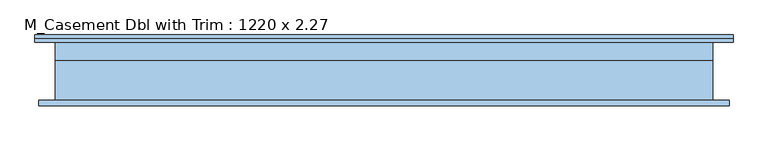
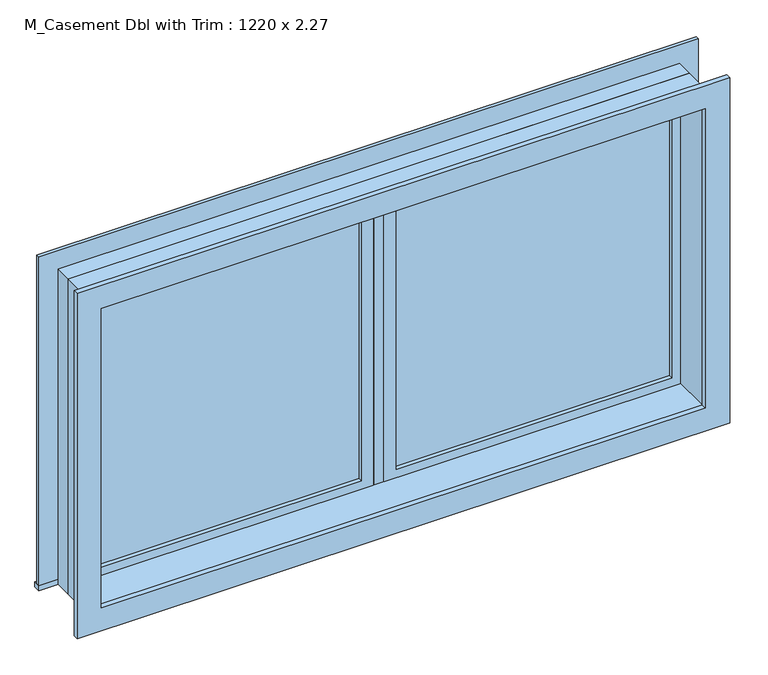
"""IFC4 building model written with IfcOpenShell, lengths in millimetres: window geometry, M_Casement Dbl with Trim : 1220 x 2.27."""

from ifc_helpers import new_model, si_unit, frame, origin, place, context, project, spatial, polyline, outline, extrude, source, transform, mapped, element, save


def m_casement_dbl_with_trim_1220_x_2_27_22cb3392(model_context):
    return source(origin(), model_context, "Body", "SweptSolid", [
        extrude(outline(polyline([(63.5, 84.175), (1071.5, 84.175), (1071.5, 71.475), (63.5, 71.475), (63.5, 84.175)])), frame((0.0, 0.0, 978.5), z_axis=(0.0, 0.0, 1.0), x_axis=(1.0, 0.0, 0.0)), (0.0, 0.0, 1.0), 1093.0),
        extrude(outline(polyline([(2115.95, 19.05), (934.05, 19.05), (934.05, 1115.95), (2115.95, 1115.95), (2115.95, 19.05)]), holes=[polyline([(2071.5, 63.5), (2071.5, 1071.5), (978.5, 1071.5), (978.5, 63.5), (2071.5, 63.5)])]), frame((0.0, 55.6, 0.0), z_axis=(0.0, 1.0, 0.0), x_axis=(0.0, 0.0, 1.0)), (0.0, 0.0, 1.0), 44.45),
        extrude(outline(polyline([(-1204.95, 144.75), (1204.95, 144.75), (1204.95, 119.05), (-1204.95, 119.05), (-1204.95, 144.75)])), frame((0.0, 0.0, 915.0), z_axis=(0.0, 0.0, 1.0), x_axis=(1.0, 0.0, 0.0)), (0.0, 0.0, 1.0), 19.05),
        extrude(outline(polyline([(2115.95, -1115.95), (2115.95, 1115.95), (934.05, 1115.95), (934.05, 1204.95), (2204.95, 1204.95), (2204.95, -1204.95), (934.05, -1204.95), (934.05, -1115.95), (2115.95, -1115.95)])), frame((0.0, 119.05, 0.0), z_axis=(0.0, 1.0, 0.0), x_axis=(0.0, 0.0, 1.0)), (0.0, 0.0, 1.0), 13.0),
        extrude(outline(polyline([(2192.25, 1192.25), (2192.25, -1192.25), (857.75, -1192.25), (857.75, 1192.25), (2192.25, 1192.25)]), holes=[polyline([(2103.25, 1103.25), (946.75, 1103.25), (946.75, -1103.25), (2103.25, -1103.25), (2103.25, 1103.25)])]), frame((0.0, -99.95, 0.0), z_axis=(0.0, 1.0, 0.0), x_axis=(0.0, 0.0, 1.0)), (0.0, 0.0, 1.0), 19.0),
        extrude(outline(polyline([(-63.5, 71.475), (-1071.5, 71.475), (-1071.5, 84.175), (-63.5, 84.175), (-63.5, 71.475)])), frame((0.0, 0.0, 978.5), z_axis=(0.0, 0.0, 1.0), x_axis=(1.0, 0.0, 0.0)), (0.0, 0.0, 1.0), 1093.0),
        extrude(outline(polyline([(2115.95, -1115.95), (934.05, -1115.95), (934.05, -19.05), (2115.95, -19.05), (2115.95, -1115.95)]), holes=[polyline([(2071.5, -1071.5), (2071.5, -63.5), (978.5, -63.5), (978.5, -1071.5), (2071.5, -1071.5)])]), frame((0.0, 55.6, 0.0), z_axis=(0.0, 1.0, 0.0), x_axis=(0.0, 0.0, 1.0)), (0.0, 0.0, 1.0), 44.45),
        extrude(outline(polyline([(2135.0, -1135.0), (915.0, -1135.0), (915.0, 1135.0), (2135.0, 1135.0), (2135.0, -1135.0)]), holes=[polyline([(2103.25, -1103.25), (2103.25, 1103.25), (946.75, 1103.25), (946.75, -1103.25), (2103.25, -1103.25)])]), frame((0.0, -80.95, 0.0), z_axis=(0.0, 1.0, 0.0), x_axis=(0.0, 0.0, 1.0)), (0.0, 0.0, 1.0), 136.55),
        extrude(outline(polyline([(2135.0, 1135.0), (2135.0, -1135.0), (915.0, -1135.0), (915.0, 1135.0), (2135.0, 1135.0)]), holes=[polyline([(2115.95, 1115.95), (934.05, 1115.95), (934.05, -1115.95), (2115.95, -1115.95), (2115.95, 1115.95)])]), frame((0.0, 55.6, 0.0), z_axis=(0.0, 1.0, 0.0), x_axis=(0.0, 0.0, 1.0)), (0.0, 0.0, 1.0), 63.45),
        extrude(outline(polyline([(19.05, 55.6), (-19.05, 55.6), (-19.05, 119.1), (19.05, 119.1), (19.05, 55.6)])), frame((0.0, 0.0, 934.05), z_axis=(0.0, 0.0, 1.0), x_axis=(1.0, 0.0, 0.0)), (0.0, 0.0, 1.0), 1181.9),
    ])


if __name__ == "__main__":
    model = new_model("IFC4")
    model_context = context("Model", 3, world=origin())
    ifc_project = project(units=[si_unit("LENGTHUNIT", "METRE", prefix="MILLI")], contexts=[model_context])
    site = spatial("IfcSite", under=ifc_project)
    building = spatial("IfcBuilding", under=site)
    placement = place(None, origin())
    m_casement_dbl_with_trim_1220_x_2_27_shape = m_casement_dbl_with_trim_1220_x_2_27_22cb3392(model_context)
    element("IfcWindow", 1, ObjectType="M_Casement Dbl with Trim : 1220 x 2.27", at=placement, inside=building, context=model_context, shape_type="MappedRepresentation", body=[
        mapped(m_casement_dbl_with_trim_1220_x_2_27_shape, transform((0.0, 0.0, 0.0), x_axis=(1.0, 0.0, 0.0), y_axis=(0.0, 1.0, 0.0), z_axis=(0.0, 0.0, 1.0))),
    ])
    save(model, "model.ifc")
